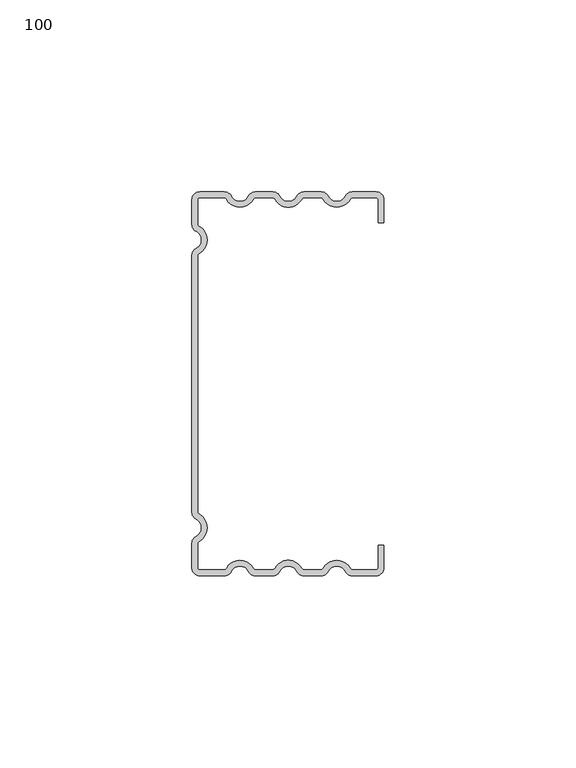
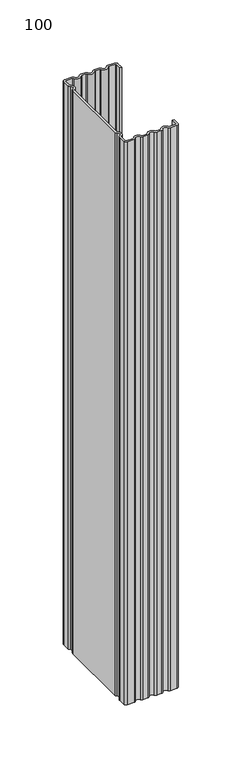
"""IFC4 building model written with IfcOpenShell, lengths in millimetres: proxy geometry, 100."""

import ifcopenshell
import ifcopenshell.guid

model = None  # the IFC model being written
_history = None  # IfcOwnerHistory: only IFC2X3 demands one
_inside = {}  # id of a spatial element -> (the spatial element, [elements in it])
_under = {}  # id of a project, library or spatial element -> (it, [spatial elements below it])
_declared = {}  # id of a project -> (the project, [libraries it declares])
_typed = {}  # id of a type object -> (the type object, [elements of that type])
_made_of = {}  # id of a material, layer set ... -> (it, [elements and type objects made of it])


def new_model(schema):
    """Start an empty IFC model of exactly this schema.

    Asked for "IFC4X3", IfcOpenShell would pick the latest addendum, in which some entities
    have other attributes; the version numbers below select the first issue.
    IFC2X3 requires an IfcOwnerHistory on every rooted entity: one is made here for all.
    """
    global model, _history
    if schema == "IFC4X3":
        model = ifcopenshell.file(schema_version=(4, 3, 0, 0))
    else:
        model = ifcopenshell.file(schema=schema)
    _inside.clear()
    _under.clear()
    _declared.clear()
    _typed.clear()
    _made_of.clear()
    _history = None
    if model.schema == "IFC2X3":
        org = make("IfcOrganization", Name="unknown")
        user = make(
            "IfcPersonAndOrganization",
            ThePerson=make("IfcPerson", FamilyName="unknown"),
            TheOrganization=org,
        )
        app = make(
            "IfcApplication",
            ApplicationDeveloper=org,
            Version="unknown",
            ApplicationFullName="unknown",
            ApplicationIdentifier="unknown",
        )
        _history = make(
            "IfcOwnerHistory",
            OwningUser=user,
            OwningApplication=app,
            ChangeAction="ADDED",
            CreationDate=0,
        )
    return model


def make(cls, **values):
    """One entity of the class cls with the attributes given. An attribute that is None is left unset."""
    return model.create_entity(
        cls, **{name: value for name, value in values.items() if value is not None}
    )


def rooted(cls, **values):
    """An entity with a GlobalId (a new one), such as an element, a storey or a relation."""
    return make(cls, GlobalId=ifcopenshell.guid.new(), OwnerHistory=_history, **values)


def si_unit(unit_type, name, prefix=None):
    """IfcSIUnit, for example si_unit("LENGTHUNIT", "METRE", prefix="MILLI")."""
    return make("IfcSIUnit", UnitType=unit_type, Prefix=prefix, Name=name)


def assignment(units):
    """IfcUnitAssignment: the units of a project."""
    return None if units is None else make("IfcUnitAssignment", Units=units)


def point(xyz):
    """IfcCartesianPoint."""
    return None if xyz is None else make("IfcCartesianPoint", Coordinates=xyz)


def direction(xyz):
    """IfcDirection."""
    return None if xyz is None else make("IfcDirection", DirectionRatios=xyz)


def frame(location, z_axis=None, x_axis=None):
    """IfcAxis2Placement3D, a coordinate frame: its origin and axes. An axis left out is left unset."""
    return make(
        "IfcAxis2Placement3D",
        Location=point(location),
        Axis=direction(z_axis),
        RefDirection=direction(x_axis),
    )


def frame_2d(location, x_axis=None):
    """IfcAxis2Placement2D, a coordinate frame in the plane: its origin and x axis."""
    return make(
        "IfcAxis2Placement2D", Location=point(location), RefDirection=direction(x_axis)
    )


def origin():
    """The frame at (0, 0, 0) with its axes left unset."""
    return frame((0.0, 0.0, 0.0))


def origin_with_axes():
    """The frame at (0, 0, 0) with the z axis (0, 0, 1) and the x axis (1, 0, 0) written out."""
    return frame((0.0, 0.0, 0.0), z_axis=(0.0, 0.0, 1.0), x_axis=(1.0, 0.0, 0.0))


def place(relative_to, where):
    """IfcLocalPlacement: puts the frame where relative to a parent placement (None: the world)."""
    return make(
        "IfcLocalPlacement", PlacementRelTo=relative_to, RelativePlacement=where
    )


def context(
    kind, dimensions, precision=None, world=None, true_north=None, identifier=None
):
    """IfcGeometricRepresentationContext, for example the 3D "Model" context."""
    return make(
        "IfcGeometricRepresentationContext",
        ContextIdentifier=identifier,
        ContextType=kind,
        CoordinateSpaceDimension=dimensions,
        Precision=precision,
        WorldCoordinateSystem=world,
        TrueNorth=true_north,
    )


def project(units=None, contexts=None):
    """IfcProject with its units and contexts."""
    return rooted(
        "IfcProject",
        Name="project",
        RepresentationContexts=contexts,
        UnitsInContext=assignment(units),
    )


def spatial(cls, under=None, at=None, **own):
    """A site, building, storey or space (cls), placed at a placement, below another one or the project."""
    s = rooted(cls, ObjectPlacement=at, **own)
    if under is not None:
        _under.setdefault(under.id(), (under, []))[1].append(s)
    return s


def polyline(points):
    """IfcPolyline through the points."""
    return make("IfcPolyline", Points=[point(p) for p in points])


def circle_curve(where, radius):
    """IfcCircle in the frame where."""
    return make("IfcCircle", Position=where, Radius=radius)


def trimmed(basis, trim1, trim2, sense, master):
    """IfcTrimmedCurve: the piece of a basis curve between two trims."""
    return make(
        "IfcTrimmedCurve",
        BasisCurve=basis,
        Trim1=trim1,
        Trim2=trim2,
        SenseAgreement=sense,
        MasterRepresentation=master,
    )


def segment(curve, same_sense, transition):
    """IfcCompositeCurveSegment."""
    return make(
        "IfcCompositeCurveSegment",
        Transition=transition,
        SameSense=same_sense,
        ParentCurve=curve,
    )


def composite_curve(segments, self_intersect=None):
    """IfcCompositeCurve: segments joined end to end."""
    return make("IfcCompositeCurve", Segments=segments, SelfIntersect=self_intersect)


def outline(outer, holes=None, kind="AREA"):
    """IfcArbitraryClosedProfileDef: a profile drawn as a closed curve; with holes, ...WithVoids."""
    if holes is None:
        return make("IfcArbitraryClosedProfileDef", ProfileType=kind, OuterCurve=outer)
    return make(
        "IfcArbitraryProfileDefWithVoids",
        ProfileType=kind,
        OuterCurve=outer,
        InnerCurves=holes,
    )


def extrude(swept, where, along, depth):
    """IfcExtrudedAreaSolid: the profile swept, set in the frame where, extruded along a direction by depth."""
    return make(
        "IfcExtrudedAreaSolid",
        SweptArea=swept,
        Position=where,
        ExtrudedDirection=direction(along),
        Depth=depth,
    )


def shape(context_of_items, identifier, shape_type, items):
    """IfcShapeRepresentation: the items that make up one representation, for example the "Body"."""
    return make(
        "IfcShapeRepresentation",
        ContextOfItems=context_of_items,
        RepresentationIdentifier=identifier,
        RepresentationType=shape_type,
        Items=items,
    )


def source(mapping_origin, context_of_items, identifier, shape_type, items):
    """IfcRepresentationMap: a shape defined once, which mapped items show again and again."""
    return make(
        "IfcRepresentationMap",
        MappingOrigin=mapping_origin,
        MappedRepresentation=shape(context_of_items, identifier, shape_type, items),
    )


def transform(
    local_origin,
    x_axis=None,
    y_axis=None,
    z_axis=None,
    scale=None,
    scale2=None,
    scale3=None,
    uniform=True,
):
    """IfcCartesianTransformationOperator3D, or its non-uniform kind. x_axis, y_axis, z_axis: its Axis1, 2, 3."""
    if uniform:
        return make(
            "IfcCartesianTransformationOperator3D",
            Axis1=direction(x_axis),
            Axis2=direction(y_axis),
            LocalOrigin=point(local_origin),
            Scale=scale,
            Axis3=direction(z_axis),
        )
    return make(
        "IfcCartesianTransformationOperator3DnonUniform",
        Axis1=direction(x_axis),
        Axis2=direction(y_axis),
        LocalOrigin=point(local_origin),
        Scale=scale,
        Axis3=direction(z_axis),
        Scale2=scale2,
        Scale3=scale3,
    )


def mapped(mapping_source, mapping_target):
    """IfcMappedItem: shows the shape of a source again, moved by a transform."""
    return make(
        "IfcMappedItem", MappingSource=mapping_source, MappingTarget=mapping_target
    )


def made_of(thing, what):
    """Note that an element or type object is made of a material, layer set ...; save() writes the relation."""
    if what is not None:
        _made_of.setdefault(what.id(), (what, []))[1].append(thing)
    return thing


def element(
    cls,
    number,
    at=None,
    inside=None,
    cuts=None,
    type_object=None,
    material=None,
    context=None,
    identifier="Body",
    shape_type=None,
    held_by="IfcProductDefinitionShape",
    body=None,
    shapes=None,
    **own,
):
    """One element of the class cls, such as IfcWall. Its Tag is "e" and its number.

    at: its placement. inside: the storey or other place that contains it. cuts: it is an
    opening in that element (IfcRelVoidsElement). A single representation is given by context,
    identifier, shape_type and body (its items); several are given by shapes. held_by: the class
    of the entity that holds the representations. save() writes the other relations.
    """
    e = rooted(cls, Tag="e%d" % number, ObjectPlacement=at, **own)
    if body is not None:
        shapes = [shape(context, identifier, shape_type, body)]
    if shapes is not None:
        e.Representation = make(held_by, Representations=shapes)
    if inside is not None:
        _inside.setdefault(inside.id(), (inside, []))[1].append(e)
    if cuts is not None:
        rooted(
            "IfcRelVoidsElement", RelatingBuildingElement=cuts, RelatedOpeningElement=e
        )
    if type_object is not None:
        _typed.setdefault(type_object.id(), (type_object, []))[1].append(e)
    return made_of(e, material)


def aggregate(whole, parts):
    """IfcRelAggregates: a whole, such as a stair, and the parts it consists of."""
    return rooted("IfcRelAggregates", RelatingObject=whole, RelatedObjects=parts)


def save(model, path):
    """Write the relations noted so far, then the file.

    IfcRelAggregates (storeys below a building ...), IfcRelContainedInSpatialStructure (elements
    in a storey), IfcRelDefinesByType, IfcRelAssociatesMaterial and IfcRelDeclares: one each for
    every whole, place, type object, material and project.
    """
    for whole, parts in _under.values():
        aggregate(whole, parts)
    for where, things in _inside.values():
        rooted(
            "IfcRelContainedInSpatialStructure",
            RelatedElements=things,
            RelatingStructure=where,
        )
    for kind, things in _typed.values():
        rooted("IfcRelDefinesByType", RelatedObjects=things, RelatingType=kind)
    for what, things in _made_of.values():
        rooted("IfcRelAssociatesMaterial", RelatedObjects=things, RelatingMaterial=what)
    for by, libraries in _declared.values():
        rooted("IfcRelDeclares", RelatingContext=by, RelatedDefinitions=libraries)
    model.write(path)


def proxy_100_f637edfd(model_context):
    return source(origin(), model_context, "Body", "SweptSolid", [
        extrude(outline(composite_curve([segment(polyline([(50.0, 42.0), (48.5, 42.0), (48.5, 48.0)]), True, "CONTINUOUS"), segment(trimmed(circle_curve(frame_2d((48.0, 48.0)), 0.5), [point((48.5, 48.0))], [point((48.0, 48.5))], True, "CARTESIAN"), True, "CONTINUOUS"), segment(polyline([(48.0, 48.5), (42.0640787, 48.5)]), True, "CONTINUOUS"), segment(trimmed(circle_curve(frame_2d((42.0640787, 47.5)), 1.0), [point((42.0640787, 48.5))], [point((41.1980533, 48.0))], True, "CARTESIAN"), True, "CONTINUOUS"), segment(trimmed(circle_curve(frame_2d((37.7339517, 50.0)), 4.0), [point((41.1980533, 48.0))], [point((34.2698501, 48.0))], False, "CARTESIAN"), True, "CONTINUOUS"), segment(trimmed(circle_curve(frame_2d((33.4038247, 47.5)), 1.0), [point((34.2698501, 48.0))], [point((33.4038247, 48.5))], True, "CARTESIAN"), True, "CONTINUOUS"), segment(polyline([(33.4038247, 48.5), (29.4471029, 48.5)]), True, "CONTINUOUS"), segment(trimmed(circle_curve(frame_2d((29.4471029, 47.5)), 1.0), [point((29.4471029, 48.5))], [point((28.5810775, 48.0))], True, "CARTESIAN"), True, "CONTINUOUS"), segment(trimmed(circle_curve(frame_2d((25.1169759, 50.0)), 4.0), [point((28.5810775, 48.0))], [point((21.6528742, 48.0))], False, "CARTESIAN"), True, "CONTINUOUS"), segment(trimmed(circle_curve(frame_2d((20.7868488, 47.5)), 1.0), [point((21.6528742, 48.0))], [point((20.7868488, 48.5))], True, "CARTESIAN"), True, "CONTINUOUS"), segment(polyline([(20.7868488, 48.5), (16.830127, 48.5)]), True, "CONTINUOUS"), segment(trimmed(circle_curve(frame_2d((16.830127, 47.5)), 1.0), [point((16.830127, 48.5))], [point((15.9641016, 48.0))], True, "CARTESIAN"), True, "CONTINUOUS"), segment(trimmed(circle_curve(frame_2d((12.5, 50.0)), 4.0), [point((15.9641016, 48.0))], [point((9.0358984, 48.0))], False, "CARTESIAN"), True, "CONTINUOUS"), segment(trimmed(circle_curve(frame_2d((8.169873, 47.5)), 1.0), [point((9.0358984, 48.0))], [point((8.169873, 48.5))], True, "CARTESIAN"), True, "CONTINUOUS"), segment(polyline([(8.169873, 48.5), (2.0, 48.5)]), True, "CONTINUOUS"), segment(trimmed(circle_curve(frame_2d((2.0, 48.0)), 0.5), [point((2.0, 48.5))], [point((1.5, 48.0))], True, "CARTESIAN"), True, "CONTINUOUS"), segment(polyline([(1.5, 48.0), (1.5, 41.830127)]), True, "CONTINUOUS"), segment(trimmed(circle_curve(frame_2d((2.5, 41.830127)), 1.0), [point((1.5, 41.830127))], [point((2.0, 40.9641016))], True, "CARTESIAN"), True, "CONTINUOUS"), segment(trimmed(circle_curve(frame_2d((0.0, 37.5)), 4.0), [point((2.0, 40.9641016))], [point((2.0, 34.0358984))], False, "CARTESIAN"), True, "CONTINUOUS"), segment(trimmed(circle_curve(frame_2d((2.5, 33.169873)), 1.0), [point((2.0, 34.0358984))], [point((1.5, 33.169873))], True, "CARTESIAN"), True, "CONTINUOUS"), segment(polyline([(1.5, 33.169873), (1.5, -33.169873)]), True, "CONTINUOUS"), segment(trimmed(circle_curve(frame_2d((2.5, -33.169873)), 1.0), [point((1.5, -33.169873))], [point((2.0, -34.0358984))], True, "CARTESIAN"), True, "CONTINUOUS"), segment(trimmed(circle_curve(frame_2d((0.0, -37.5)), 4.0), [point((2.0, -34.0358984))], [point((2.0, -40.9641016))], False, "CARTESIAN"), True, "CONTINUOUS"), segment(trimmed(circle_curve(frame_2d((2.5, -41.830127)), 1.0), [point((2.0, -40.9641016))], [point((1.5, -41.830127))], True, "CARTESIAN"), True, "CONTINUOUS"), segment(polyline([(1.5, -41.830127), (1.5, -48.0)]), True, "CONTINUOUS"), segment(trimmed(circle_curve(frame_2d((2.0, -48.0)), 0.5), [point((1.5, -48.0))], [point((2.0, -48.5))], True, "CARTESIAN"), True, "CONTINUOUS"), segment(polyline([(2.0, -48.5), (8.169873, -48.5)]), True, "CONTINUOUS"), segment(trimmed(circle_curve(frame_2d((8.169873, -47.5)), 1.0), [point((8.169873, -48.5))], [point((9.0358984, -48.0))], True, "CARTESIAN"), True, "CONTINUOUS"), segment(trimmed(circle_curve(frame_2d((12.5, -50.0)), 4.0), [point((9.0358984, -48.0))], [point((15.9641016, -48.0))], False, "CARTESIAN"), True, "CONTINUOUS"), segment(trimmed(circle_curve(frame_2d((16.830127, -47.5)), 1.0), [point((15.9641016, -48.0))], [point((16.830127, -48.5))], True, "CARTESIAN"), True, "CONTINUOUS"), segment(polyline([(16.830127, -48.5), (20.7868488, -48.5)]), True, "CONTINUOUS"), segment(trimmed(circle_curve(frame_2d((20.7868488, -47.5)), 1.0), [point((20.7868488, -48.5))], [point((21.6528742, -48.0))], True, "CARTESIAN"), True, "CONTINUOUS"), segment(trimmed(circle_curve(frame_2d((25.1169759, -50.0)), 4.0), [point((21.6528742, -48.0))], [point((28.5810775, -48.0))], False, "CARTESIAN"), True, "CONTINUOUS"), segment(trimmed(circle_curve(frame_2d((29.4471029, -47.5)), 1.0), [point((28.5810775, -48.0))], [point((29.4471029, -48.5))], True, "CARTESIAN"), True, "CONTINUOUS"), segment(polyline([(29.4471029, -48.5), (33.4038247, -48.5)]), True, "CONTINUOUS"), segment(trimmed(circle_curve(frame_2d((33.4038247, -47.5)), 1.0), [point((33.4038247, -48.5))], [point((34.2698501, -48.0))], True, "CARTESIAN"), True, "CONTINUOUS"), segment(trimmed(circle_curve(frame_2d((37.7339517, -50.0)), 4.0), [point((34.2698501, -48.0))], [point((41.1980533, -48.0))], False, "CARTESIAN"), True, "CONTINUOUS"), segment(trimmed(circle_curve(frame_2d((42.0640787, -47.5)), 1.0), [point((41.1980533, -48.0))], [point((42.0640787, -48.5))], True, "CARTESIAN"), True, "CONTINUOUS"), segment(polyline([(42.0640787, -48.5), (48.0, -48.5)]), True, "CONTINUOUS"), segment(trimmed(circle_curve(frame_2d((48.0, -48.0)), 0.5), [point((48.0, -48.5))], [point((48.5, -48.0))], True, "CARTESIAN"), True, "CONTINUOUS"), segment(polyline([(48.5, -48.0), (48.5, -42.0), (50.0, -42.0), (50.0, -48.0)]), True, "CONTINUOUS"), segment(trimmed(circle_curve(frame_2d((48.0, -48.0)), 2.0), [point((50.0, -48.0))], [point((48.0, -50.0))], False, "CARTESIAN"), True, "CONTINUOUS"), segment(polyline([(48.0, -50.0), (41.7650806, -50.0)]), True, "CONTINUOUS"), segment(trimmed(circle_curve(frame_2d((41.7650806, -48.0)), 2.0), [point((41.7650806, -50.0))], [point((39.9734678, -48.8888889))], False, "CARTESIAN"), True, "CONTINUOUS"), segment(trimmed(circle_curve(frame_2d((37.7339517, -50.0)), 2.5), [point((39.9734678, -48.8888889))], [point((35.4944357, -48.8888889))], True, "CARTESIAN"), True, "CONTINUOUS"), segment(trimmed(circle_curve(frame_2d((33.7028228, -48.0)), 2.0), [point((35.4944357, -48.8888889))], [point((33.7028228, -50.0))], False, "CARTESIAN"), True, "CONTINUOUS"), segment(polyline([(33.7028228, -50.0), (29.1481047, -50.0)]), True, "CONTINUOUS"), segment(trimmed(circle_curve(frame_2d((29.1481047, -48.0)), 2.0), [point((29.1481047, -50.0))], [point((27.3564919, -48.8888889))], False, "CARTESIAN"), True, "CONTINUOUS"), segment(trimmed(circle_curve(frame_2d((25.1169759, -50.0)), 2.5), [point((27.3564919, -48.8888889))], [point((22.8774598, -48.8888889))], True, "CARTESIAN"), True, "CONTINUOUS"), segment(trimmed(circle_curve(frame_2d((21.085847, -48.0)), 2.0), [point((22.8774598, -48.8888889))], [point((21.085847, -50.0))], False, "CARTESIAN"), True, "CONTINUOUS"), segment(polyline([(21.085847, -50.0), (16.5311289, -50.0)]), True, "CONTINUOUS"), segment(trimmed(circle_curve(frame_2d((16.5311289, -48.0)), 2.0), [point((16.5311289, -50.0))], [point((14.739516, -48.8888889))], False, "CARTESIAN"), True, "CONTINUOUS"), segment(trimmed(circle_curve(frame_2d((12.5, -50.0)), 2.5), [point((14.739516, -48.8888889))], [point((10.260484, -48.8888889))], True, "CARTESIAN"), True, "CONTINUOUS"), segment(trimmed(circle_curve(frame_2d((8.4688711, -48.0)), 2.0), [point((10.260484, -48.8888889))], [point((8.4688711, -50.0))], False, "CARTESIAN"), True, "CONTINUOUS"), segment(polyline([(8.4688711, -50.0), (2.0, -50.0)]), True, "CONTINUOUS"), segment(trimmed(circle_curve(frame_2d((2.0, -48.0)), 2.0), [point((2.0, -50.0))], [point((0.0, -48.0))], False, "CARTESIAN"), True, "CONTINUOUS"), segment(polyline([(0.0, -48.0), (0.0, -41.5311289)]), True, "CONTINUOUS"), segment(trimmed(circle_curve(frame_2d((2.0, -41.5311289)), 2.0), [point((0.0, -41.5311289))], [point((1.1111111, -39.739516))], False, "CARTESIAN"), True, "CONTINUOUS"), segment(trimmed(circle_curve(frame_2d((0.0, -37.5)), 2.5), [point((1.1111111, -39.739516))], [point((1.1111111, -35.260484))], True, "CARTESIAN"), True, "CONTINUOUS"), segment(trimmed(circle_curve(frame_2d((2.0, -33.4688711)), 2.0), [point((1.1111111, -35.260484))], [point((0.0, -33.4688711))], False, "CARTESIAN"), True, "CONTINUOUS"), segment(polyline([(0.0, -33.4688711), (0.0, 33.4688711)]), True, "CONTINUOUS"), segment(trimmed(circle_curve(frame_2d((2.0, 33.4688711)), 2.0), [point((0.0, 33.4688711))], [point((1.1111111, 35.260484))], False, "CARTESIAN"), True, "CONTINUOUS"), segment(trimmed(circle_curve(frame_2d((0.0, 37.5)), 2.5), [point((1.1111111, 35.260484))], [point((1.1111111, 39.739516))], True, "CARTESIAN"), True, "CONTINUOUS"), segment(trimmed(circle_curve(frame_2d((2.0, 41.5311289)), 2.0), [point((1.1111111, 39.739516))], [point((0.0, 41.5311289))], False, "CARTESIAN"), True, "CONTINUOUS"), segment(polyline([(0.0, 41.5311289), (0.0, 48.0)]), True, "CONTINUOUS"), segment(trimmed(circle_curve(frame_2d((2.0, 48.0)), 2.0), [point((0.0, 48.0))], [point((2.0, 50.0))], False, "CARTESIAN"), True, "CONTINUOUS"), segment(polyline([(2.0, 50.0), (8.4688711, 50.0)]), True, "CONTINUOUS"), segment(trimmed(circle_curve(frame_2d((8.4688711, 48.0)), 2.0), [point((8.4688711, 50.0))], [point((10.260484, 48.8888889))], False, "CARTESIAN"), True, "CONTINUOUS"), segment(trimmed(circle_curve(frame_2d((12.5, 50.0)), 2.5), [point((10.260484, 48.8888889))], [point((14.739516, 48.8888889))], True, "CARTESIAN"), True, "CONTINUOUS"), segment(trimmed(circle_curve(frame_2d((16.5311289, 48.0)), 2.0), [point((14.739516, 48.8888889))], [point((16.5311289, 50.0))], False, "CARTESIAN"), True, "CONTINUOUS"), segment(polyline([(16.5311289, 50.0), (21.085847, 50.0)]), True, "CONTINUOUS"), segment(trimmed(circle_curve(frame_2d((21.085847, 48.0)), 2.0), [point((21.085847, 50.0))], [point((22.8774598, 48.8888889))], False, "CARTESIAN"), True, "CONTINUOUS"), segment(trimmed(circle_curve(frame_2d((25.1169759, 50.0)), 2.5), [point((22.8774598, 48.8888889))], [point((27.3564919, 48.8888889))], True, "CARTESIAN"), True, "CONTINUOUS"), segment(trimmed(circle_curve(frame_2d((29.1481047, 48.0)), 2.0), [point((27.3564919, 48.8888889))], [point((29.1481047, 50.0))], False, "CARTESIAN"), True, "CONTINUOUS"), segment(polyline([(29.1481047, 50.0), (33.7028228, 50.0)]), True, "CONTINUOUS"), segment(trimmed(circle_curve(frame_2d((33.7028228, 48.0)), 2.0), [point((33.7028228, 50.0))], [point((35.4944357, 48.8888889))], False, "CARTESIAN"), True, "CONTINUOUS"), segment(trimmed(circle_curve(frame_2d((37.7339517, 50.0)), 2.5), [point((35.4944357, 48.8888889))], [point((39.9734678, 48.8888889))], True, "CARTESIAN"), True, "CONTINUOUS"), segment(trimmed(circle_curve(frame_2d((41.7650806, 48.0)), 2.0), [point((39.9734678, 48.8888889))], [point((41.7650806, 50.0))], False, "CARTESIAN"), True, "CONTINUOUS"), segment(polyline([(41.7650806, 50.0), (48.0, 50.0)]), True, "CONTINUOUS"), segment(trimmed(circle_curve(frame_2d((48.0, 48.0)), 2.0), [point((48.0, 50.0))], [point((50.0, 48.0))], False, "CARTESIAN"), True, "CONTINUOUS"), segment(polyline([(50.0, 48.0), (50.0, 42.0)]), True, "CONTINUOUS")], self_intersect=False)), origin_with_axes(), (0.0, 0.0, 1.0), 550.0),
    ])


if __name__ == "__main__":
    model = new_model("IFC4")
    model_context = context("Model", 3, world=origin())
    ifc_project = project(units=[si_unit("LENGTHUNIT", "METRE", prefix="MILLI")], contexts=[model_context])
    site = spatial("IfcSite", under=ifc_project)
    building = spatial("IfcBuilding", under=site)
    placement = place(None, origin())
    proxy_100_shape = proxy_100_f637edfd(model_context)
    element("IfcBuildingElementProxy", 1, Name="100", ObjectType="100", at=placement, inside=building, context=model_context, shape_type="MappedRepresentation", body=[
        mapped(proxy_100_shape, transform((0.0, 0.0, 0.0), x_axis=(1.0, 0.0, 0.0), y_axis=(0.0, 1.0, 0.0), z_axis=(0.0, 0.0, 1.0))),
    ])
    save(model, "model.ifc")
